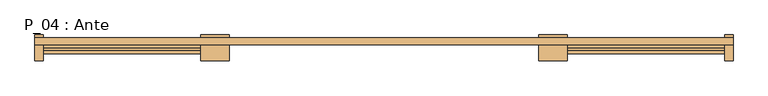
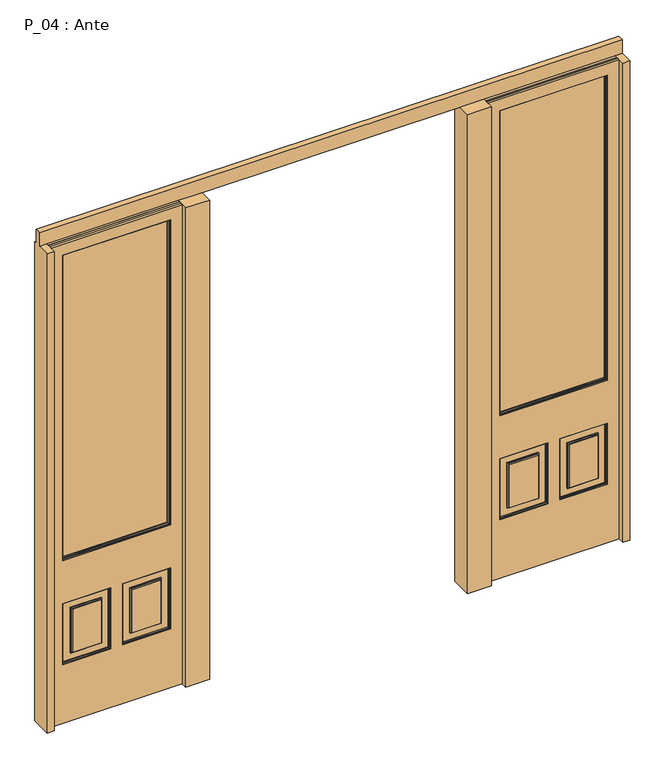
"""IFC4 building model written with IfcOpenShell, lengths in millimetres: door geometry, P_04 : Ante."""

from ifc_helpers import new_model, si_unit, frame, origin, place, context, project, spatial, polyline, outline, extrude, faceted_brep, source, transform, mapped, element, save


def p_04_ante_253e22f2(model_context):
    return source(origin(), model_context, "Body", "SolidModel", [
        faceted_brep([(-1220.0, -40.0, 2180.0), (1220.0, -40.0, 2180.0), (1220.0, -40.0, 2120.0), (1190.0, -40.0, 2120.0), (640.0, -40.0, 2120.0), (540.0, -40.0, 2120.0), (-540.0, -40.0, 2120.0), (-640.0, -40.0, 2120.0), (-1190.0, -40.0, 2120.0), (-1220.0, -40.0, 2120.0), (-1220.0, -65.0, 2180.0), (-1220.0, -65.0, 2120.0), (-1190.0, -65.0, 2120.0), (-640.0, -65.0, 2120.0), (-540.0, -65.0, 2120.0), (540.0, -65.0, 2120.0), (640.0, -65.0, 2120.0), (1190.0, -65.0, 2120.0), (1220.0, -65.0, 2120.0), (1220.0, -65.0, 2180.0), (-540.0, -120.0, 2120.0), (-640.0, -120.0, 2120.0), (-640.0, -120.0, 0.0), (-540.0, -120.0, 0.0), (640.0, -120.0, 2120.0), (540.0, -120.0, 2120.0), (540.0, -120.0, 0.0), (640.0, -120.0, 0.0), (1220.0, -120.0, 0.0), (1220.0, -120.0, 2120.0), (1190.0, -120.0, 2120.0), (1190.0, -120.0, 0.0), (-1220.0, -120.0, 2120.0), (-1220.0, -120.0, 0.0), (-1190.0, -120.0, 0.0), (-1190.0, -120.0, 2120.0), (-540.0, -30.0, 2120.0), (-540.0, -30.0, 0.0), (640.0, -30.0, 2120.0), (640.0, -30.0, 0.0), (540.0, -30.0, 2120.0), (540.0, -30.0, 0.0), (-640.0, -30.0, 2120.0), (-640.0, -30.0, 0.0), (1190.0, -30.0, 2120.0), (1220.0, -30.0, 2120.0), (1190.0, -30.0, 0.0), (1220.0, -30.0, 0.0), (-1190.0, -30.0, 0.0), (-1220.0, -30.0, 0.0), (-1190.0, -30.0, 2120.0), (-1220.0, -30.0, 2120.0)], [[[0, 1, 2, 3, 4, 5, 6, 7, 8, 9]], [[10, 11, 12, 13, 14, 15, 16, 17, 18, 19]], [[0, 10, 19, 1]], [[5, 15, 14, 6]], [[3, 17, 16, 4]], [[7, 13, 12, 8]], [[20, 21, 22, 23]], [[24, 25, 26, 27]], [[28, 29, 30, 31]], [[32, 33, 34, 35]], [[36, 6, 14, 20, 23, 37]], [[38, 4, 16, 24, 27, 39]], [[24, 16, 15, 25]], [[40, 5, 4, 38]], [[41, 26, 25, 15, 5, 40]], [[39, 27, 26, 41]], [[20, 14, 13, 21]], [[42, 7, 6, 36]], [[43, 22, 21, 13, 7, 42]], [[37, 23, 22, 43]], [[44, 3, 2, 45]], [[29, 18, 17, 30]], [[46, 31, 30, 17, 3, 44]], [[47, 28, 31, 46]], [[48, 34, 33, 49]], [[50, 8, 12, 35, 34, 48]], [[35, 12, 11, 32]], [[51, 9, 8, 50]], [[9, 51, 49, 33, 32, 11, 10, 0]], [[1, 19, 18, 29, 28, 47, 45, 2]], [[36, 37, 43, 42]], [[38, 39, 41, 40]], [[47, 46, 44, 45]], [[51, 50, 48, 49]]]),
        extrude(outline(polyline([(-695.0, -71.0), (-695.0, -79.0), (-1135.0, -79.0), (-1135.0, -71.0), (-695.0, -71.0)])), frame((0.0, 0.0, 725.0), z_axis=(0.0, 0.0, 1.0), x_axis=(1.0, 0.0, 0.0)), (0.0, 0.0, 1.0), 1340.0),
        extrude(outline(polyline([(1135.0, -71.0), (1135.0, -79.0), (695.0, -79.0), (695.0, -71.0), (1135.0, -71.0)])), frame((0.0, 0.0, 725.0), z_axis=(0.0, 0.0, 1.0), x_axis=(1.0, 0.0, 0.0)), (0.0, 0.0, 1.0), 1340.0),
        extrude(outline(polyline([(530.0, -940.0), (530.0, -1140.0), (260.0, -1140.0), (260.0, -940.0), (530.0, -940.0)]), holes=[polyline([(525.0, -945.0), (265.0, -945.0), (265.0, -1135.0), (525.0, -1135.0), (525.0, -945.0)])]), frame((0.0, -75.0, 0.0), z_axis=(0.0, 1.0, 0.0), x_axis=(0.0, 0.0, 1.0)), (0.0, 0.0, 1.0), 5.0),
        extrude(outline(polyline([(530.0, -690.0), (530.0, -890.0), (260.0, -890.0), (260.0, -690.0), (530.0, -690.0)]), holes=[polyline([(525.0, -695.0), (265.0, -695.0), (265.0, -885.0), (525.0, -885.0), (525.0, -695.0)])]), frame((0.0, -75.0, 0.0), z_axis=(0.0, 1.0, 0.0), x_axis=(0.0, 0.0, 1.0)), (0.0, 0.0, 1.0), 5.0),
        extrude(outline(polyline([(530.0, 890.0), (530.0, 690.0), (260.0, 690.0), (260.0, 890.0), (530.0, 890.0)]), holes=[polyline([(525.0, 885.0), (265.0, 885.0), (265.0, 695.0), (525.0, 695.0), (525.0, 885.0)])]), frame((0.0, -75.0, 0.0), z_axis=(0.0, 1.0, 0.0), x_axis=(0.0, 0.0, 1.0)), (0.0, 0.0, 1.0), 5.0),
        extrude(outline(polyline([(530.0, 1140.0), (530.0, 940.0), (260.0, 940.0), (260.0, 1140.0), (530.0, 1140.0)]), holes=[polyline([(525.0, 1135.0), (265.0, 1135.0), (265.0, 945.0), (525.0, 945.0), (525.0, 1135.0)])]), frame((0.0, -75.0, 0.0), z_axis=(0.0, 1.0, 0.0), x_axis=(0.0, 0.0, 1.0)), (0.0, 0.0, 1.0), 5.0),
        extrude(outline(polyline([(495.0, 855.0), (495.0, 725.0), (295.0, 725.0), (295.0, 855.0), (495.0, 855.0)]), holes=[polyline([(490.0, 850.0), (300.0, 850.0), (300.0, 730.0), (490.0, 730.0), (490.0, 850.0)])]), frame((0.0, -75.0, 0.0), z_axis=(0.0, 1.0, 0.0), x_axis=(0.0, 0.0, 1.0)), (0.0, 0.0, 1.0), 5.0),
        extrude(outline(polyline([(495.0, 1105.0), (495.0, 975.0), (295.0, 975.0), (295.0, 1105.0), (495.0, 1105.0)]), holes=[polyline([(490.0, 1100.0), (300.0, 1100.0), (300.0, 980.0), (490.0, 980.0), (490.0, 1100.0)])]), frame((0.0, -75.0, 0.0), z_axis=(0.0, 1.0, 0.0), x_axis=(0.0, 0.0, 1.0)), (0.0, 0.0, 1.0), 5.0),
        extrude(outline(polyline([(495.0, -975.0), (495.0, -1105.0), (295.0, -1105.0), (295.0, -975.0), (495.0, -975.0)]), holes=[polyline([(490.0, -980.0), (300.0, -980.0), (300.0, -1100.0), (490.0, -1100.0), (490.0, -980.0)])]), frame((0.0, -75.0, 0.0), z_axis=(0.0, 1.0, 0.0), x_axis=(0.0, 0.0, 1.0)), (0.0, 0.0, 1.0), 5.0),
        extrude(outline(polyline([(495.0, -725.0), (495.0, -855.0), (295.0, -855.0), (295.0, -725.0), (495.0, -725.0)]), holes=[polyline([(490.0, -730.0), (300.0, -730.0), (300.0, -850.0), (490.0, -850.0), (490.0, -730.0)])]), frame((0.0, -75.0, 0.0), z_axis=(0.0, 1.0, 0.0), x_axis=(0.0, 0.0, 1.0)), (0.0, 0.0, 1.0), 5.0),
        extrude(outline(polyline([(2070.0, -690.0), (2070.0, -1140.0), (720.0, -1140.0), (720.0, -690.0), (2070.0, -690.0)]), holes=[polyline([(2065.0, -695.0), (725.0, -695.0), (725.0, -1135.0), (2065.0, -1135.0), (2065.0, -695.0)])]), frame((0.0, -75.0, 0.0), z_axis=(0.0, 1.0, 0.0), x_axis=(0.0, 0.0, 1.0)), (0.0, 0.0, 1.0), 5.0),
        extrude(outline(polyline([(2070.0, 1140.0), (2070.0, 690.0), (720.0, 690.0), (720.0, 1140.0), (2070.0, 1140.0)]), holes=[polyline([(2065.0, 1135.0), (725.0, 1135.0), (725.0, 695.0), (2065.0, 695.0), (2065.0, 1135.0)])]), frame((0.0, -75.0, 0.0), z_axis=(0.0, 1.0, 0.0), x_axis=(0.0, 0.0, 1.0)), (0.0, 0.0, 1.0), 5.0),
        extrude(outline(polyline([(2120.0, -640.0), (2120.0, -1190.0), (0.0, -1190.0), (0.0, -640.0), (2120.0, -640.0)]), holes=[polyline([(2070.0, -690.0), (720.0, -690.0), (720.0, -1140.0), (2070.0, -1140.0), (2070.0, -690.0)]), polyline([(260.0, -940.0), (260.0, -1140.0), (530.0, -1140.0), (530.0, -940.0), (260.0, -940.0)]), polyline([(260.0, -690.0), (260.0, -890.0), (530.0, -890.0), (530.0, -690.0), (260.0, -690.0)])]), frame((0.0, -75.0, 0.0), z_axis=(0.0, 1.0, 0.0), x_axis=(0.0, 0.0, 1.0)), (0.0, 0.0, 1.0), 10.0),
        extrude(outline(polyline([(2120.0, 1190.0), (2120.0, 640.0), (0.0, 640.0), (0.0, 1190.0), (2120.0, 1190.0)]), holes=[polyline([(720.0, 690.0), (2070.0, 690.0), (2070.0, 1140.0), (720.0, 1140.0), (720.0, 690.0)]), polyline([(260.0, 890.0), (260.0, 690.0), (530.0, 690.0), (530.0, 890.0), (260.0, 890.0)]), polyline([(260.0, 1140.0), (260.0, 940.0), (530.0, 940.0), (530.0, 1140.0), (260.0, 1140.0)])]), frame((0.0, -75.0, 0.0), z_axis=(0.0, 1.0, 0.0), x_axis=(0.0, 0.0, 1.0)), (0.0, 0.0, 1.0), 10.0),
        extrude(outline(polyline([(-980.0, -65.0), (-980.0, -75.0), (-1100.0, -75.0), (-1100.0, -65.0), (-980.0, -65.0)])), frame((0.0, 0.0, 300.0), z_axis=(0.0, 0.0, 1.0), x_axis=(1.0, 0.0, 0.0)), (0.0, 0.0, 1.0), 190.0),
        extrude(outline(polyline([(-730.0, -65.0), (-730.0, -75.0), (-850.0, -75.0), (-850.0, -65.0), (-730.0, -65.0)])), frame((0.0, 0.0, 300.0), z_axis=(0.0, 0.0, 1.0), x_axis=(1.0, 0.0, 0.0)), (0.0, 0.0, 1.0), 190.0),
        extrude(outline(polyline([(850.0, -65.0), (850.0, -75.0), (730.0, -75.0), (730.0, -65.0), (850.0, -65.0)])), frame((0.0, 0.0, 300.0), z_axis=(0.0, 0.0, 1.0), x_axis=(1.0, 0.0, 0.0)), (0.0, 0.0, 1.0), 190.0),
        extrude(outline(polyline([(1100.0, -65.0), (1100.0, -75.0), (980.0, -75.0), (980.0, -65.0), (1100.0, -65.0)])), frame((0.0, 0.0, 300.0), z_axis=(0.0, 0.0, 1.0), x_axis=(1.0, 0.0, 0.0)), (0.0, 0.0, 1.0), 190.0),
        extrude(outline(polyline([(530.0, 940.0), (260.0, 940.0), (260.0, 1140.0), (530.0, 1140.0), (530.0, 940.0)]), holes=[polyline([(525.0, 945.0), (525.0, 1135.0), (265.0, 1135.0), (265.0, 945.0), (525.0, 945.0)])]), frame((0.0, -90.0, 0.0), z_axis=(0.0, 1.0, 0.0), x_axis=(0.0, 0.0, 1.0)), (0.0, 0.0, 1.0), 5.0),
        extrude(outline(polyline([(530.0, 690.0), (260.0, 690.0), (260.0, 890.0), (530.0, 890.0), (530.0, 690.0)]), holes=[polyline([(525.0, 695.0), (525.0, 885.0), (265.0, 885.0), (265.0, 695.0), (525.0, 695.0)])]), frame((0.0, -90.0, 0.0), z_axis=(0.0, 1.0, 0.0), x_axis=(0.0, 0.0, 1.0)), (0.0, 0.0, 1.0), 5.0),
        extrude(outline(polyline([(495.0, 975.0), (295.0, 975.0), (295.0, 1105.0), (495.0, 1105.0), (495.0, 975.0)]), holes=[polyline([(490.0, 980.0), (490.0, 1100.0), (300.0, 1100.0), (300.0, 980.0), (490.0, 980.0)])]), frame((0.0, -90.0, 0.0), z_axis=(0.0, 1.0, 0.0), x_axis=(0.0, 0.0, 1.0)), (0.0, 0.0, 1.0), 5.0),
        extrude(outline(polyline([(495.0, 725.0), (295.0, 725.0), (295.0, 855.0), (495.0, 855.0), (495.0, 725.0)]), holes=[polyline([(490.0, 730.0), (490.0, 850.0), (300.0, 850.0), (300.0, 730.0), (490.0, 730.0)])]), frame((0.0, -90.0, 0.0), z_axis=(0.0, 1.0, 0.0), x_axis=(0.0, 0.0, 1.0)), (0.0, 0.0, 1.0), 5.0),
        extrude(outline(polyline([(530.0, -890.0), (260.0, -890.0), (260.0, -690.0), (530.0, -690.0), (530.0, -890.0)]), holes=[polyline([(525.0, -885.0), (525.0, -695.0), (265.0, -695.0), (265.0, -885.0), (525.0, -885.0)])]), frame((0.0, -90.0, 0.0), z_axis=(0.0, 1.0, 0.0), x_axis=(0.0, 0.0, 1.0)), (0.0, 0.0, 1.0), 5.0),
        extrude(outline(polyline([(530.0, -1140.0), (260.0, -1140.0), (260.0, -940.0), (530.0, -940.0), (530.0, -1140.0)]), holes=[polyline([(525.0, -1135.0), (525.0, -945.0), (265.0, -945.0), (265.0, -1135.0), (525.0, -1135.0)])]), frame((0.0, -90.0, 0.0), z_axis=(0.0, 1.0, 0.0), x_axis=(0.0, 0.0, 1.0)), (0.0, 0.0, 1.0), 5.0),
        extrude(outline(polyline([(495.0, -855.0), (295.0, -855.0), (295.0, -725.0), (495.0, -725.0), (495.0, -855.0)]), holes=[polyline([(490.0, -850.0), (490.0, -730.0), (300.0, -730.0), (300.0, -850.0), (490.0, -850.0)])]), frame((0.0, -90.0, 0.0), z_axis=(0.0, 1.0, 0.0), x_axis=(0.0, 0.0, 1.0)), (0.0, 0.0, 1.0), 5.0),
        extrude(outline(polyline([(495.0, -1105.0), (295.0, -1105.0), (295.0, -975.0), (495.0, -975.0), (495.0, -1105.0)]), holes=[polyline([(490.0, -1100.0), (490.0, -980.0), (300.0, -980.0), (300.0, -1100.0), (490.0, -1100.0)])]), frame((0.0, -90.0, 0.0), z_axis=(0.0, 1.0, 0.0), x_axis=(0.0, 0.0, 1.0)), (0.0, 0.0, 1.0), 5.0),
        extrude(outline(polyline([(2070.0, 690.0), (720.0, 690.0), (720.0, 1140.0), (2070.0, 1140.0), (2070.0, 690.0)]), holes=[polyline([(2065.0, 695.0), (2065.0, 1135.0), (725.0, 1135.0), (725.0, 695.0), (2065.0, 695.0)])]), frame((0.0, -90.0, 0.0), z_axis=(0.0, 1.0, 0.0), x_axis=(0.0, 0.0, 1.0)), (0.0, 0.0, 1.0), 5.0),
        extrude(outline(polyline([(2070.0, -1140.0), (720.0, -1140.0), (720.0, -690.0), (2070.0, -690.0), (2070.0, -1140.0)]), holes=[polyline([(2065.0, -1135.0), (2065.0, -695.0), (725.0, -695.0), (725.0, -1135.0), (2065.0, -1135.0)])]), frame((0.0, -90.0, 0.0), z_axis=(0.0, 1.0, 0.0), x_axis=(0.0, 0.0, 1.0)), (0.0, 0.0, 1.0), 5.0),
        extrude(outline(polyline([(2120.0, 640.0), (0.0, 640.0), (0.0, 1190.0), (2120.0, 1190.0), (2120.0, 640.0)]), holes=[polyline([(530.0, 940.0), (530.0, 1140.0), (260.0, 1140.0), (260.0, 940.0), (530.0, 940.0)]), polyline([(260.0, 890.0), (260.0, 690.0), (530.0, 690.0), (530.0, 890.0), (260.0, 890.0)]), polyline([(2070.0, 690.0), (2070.0, 1140.0), (720.0, 1140.0), (720.0, 690.0), (2070.0, 690.0)])]), frame((0.0, -95.0, 0.0), z_axis=(0.0, 1.0, 0.0), x_axis=(0.0, 0.0, 1.0)), (0.0, 0.0, 1.0), 10.0),
        extrude(outline(polyline([(2120.0, -1190.0), (0.0, -1190.0), (0.0, -640.0), (2120.0, -640.0), (2120.0, -1190.0)]), holes=[polyline([(530.0, -890.0), (530.0, -690.0), (260.0, -690.0), (260.0, -890.0), (530.0, -890.0)]), polyline([(260.0, -940.0), (260.0, -1140.0), (530.0, -1140.0), (530.0, -940.0), (260.0, -940.0)]), polyline([(2070.0, -1140.0), (2070.0, -690.0), (720.0, -690.0), (720.0, -1140.0), (2070.0, -1140.0)])]), frame((0.0, -95.0, 0.0), z_axis=(0.0, 1.0, 0.0), x_axis=(0.0, 0.0, 1.0)), (0.0, 0.0, 1.0), 10.0),
        extrude(outline(polyline([(1100.0, -85.0), (1100.0, -95.0), (980.0, -95.0), (980.0, -85.0), (1100.0, -85.0)])), frame((0.0, 0.0, 300.0), z_axis=(0.0, 0.0, 1.0), x_axis=(1.0, 0.0, 0.0)), (0.0, 0.0, 1.0), 190.0),
        extrude(outline(polyline([(850.0, -85.0), (850.0, -95.0), (730.0, -95.0), (730.0, -85.0), (850.0, -85.0)])), frame((0.0, 0.0, 300.0), z_axis=(0.0, 0.0, 1.0), x_axis=(1.0, 0.0, 0.0)), (0.0, 0.0, 1.0), 190.0),
        extrude(outline(polyline([(-730.0, -85.0), (-730.0, -95.0), (-850.0, -95.0), (-850.0, -85.0), (-730.0, -85.0)])), frame((0.0, 0.0, 300.0), z_axis=(0.0, 0.0, 1.0), x_axis=(1.0, 0.0, 0.0)), (0.0, 0.0, 1.0), 190.0),
        extrude(outline(polyline([(-980.0, -85.0), (-980.0, -95.0), (-1100.0, -95.0), (-1100.0, -85.0), (-980.0, -85.0)])), frame((0.0, 0.0, 300.0), z_axis=(0.0, 0.0, 1.0), x_axis=(1.0, 0.0, 0.0)), (0.0, 0.0, 1.0), 190.0),
        extrude(outline(polyline([(2120.0, 640.0), (0.0, 640.0), (0.0, 1190.0), (2120.0, 1190.0), (2120.0, 640.0)]), holes=[polyline([(2065.0, 695.0), (2065.0, 1135.0), (725.0, 1135.0), (725.0, 695.0), (2065.0, 695.0)])]), frame((0.0, -85.0, 0.0), z_axis=(0.0, 1.0, 0.0), x_axis=(0.0, 0.0, 1.0)), (0.0, 0.0, 1.0), 20.0),
        extrude(outline(polyline([(2120.0, -1190.0), (0.0, -1190.0), (0.0, -640.0), (2120.0, -640.0), (2120.0, -1190.0)]), holes=[polyline([(2065.0, -1135.0), (2065.0, -695.0), (725.0, -695.0), (725.0, -1135.0), (2065.0, -1135.0)])]), frame((0.0, -85.0, 0.0), z_axis=(0.0, 1.0, 0.0), x_axis=(0.0, 0.0, 1.0)), (0.0, 0.0, 1.0), 20.0),
    ])


if __name__ == "__main__":
    model = new_model("IFC4")
    model_context = context("Model", 3, world=origin())
    ifc_project = project(units=[si_unit("LENGTHUNIT", "METRE", prefix="MILLI")], contexts=[model_context])
    site = spatial("IfcSite", under=ifc_project)
    building = spatial("IfcBuilding", under=site)
    placement = place(None, origin())
    p_04_ante_shape = p_04_ante_253e22f2(model_context)
    element("IfcDoor", 1, ObjectType="P_04 : Ante", at=placement, inside=building, context=model_context, shape_type="MappedRepresentation", body=[
        mapped(p_04_ante_shape, transform((0.0, 0.0, 0.0), x_axis=(1.0, 0.0, 0.0), y_axis=(0.0, 1.0, 0.0), z_axis=(0.0, 0.0, 1.0))),
    ])
    save(model, "model.ifc")
